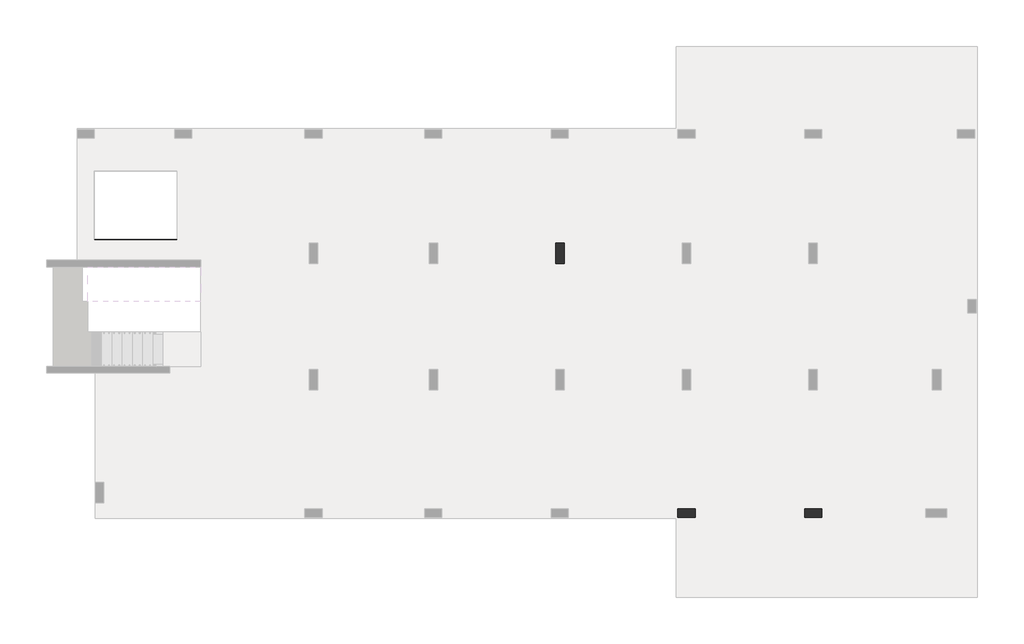
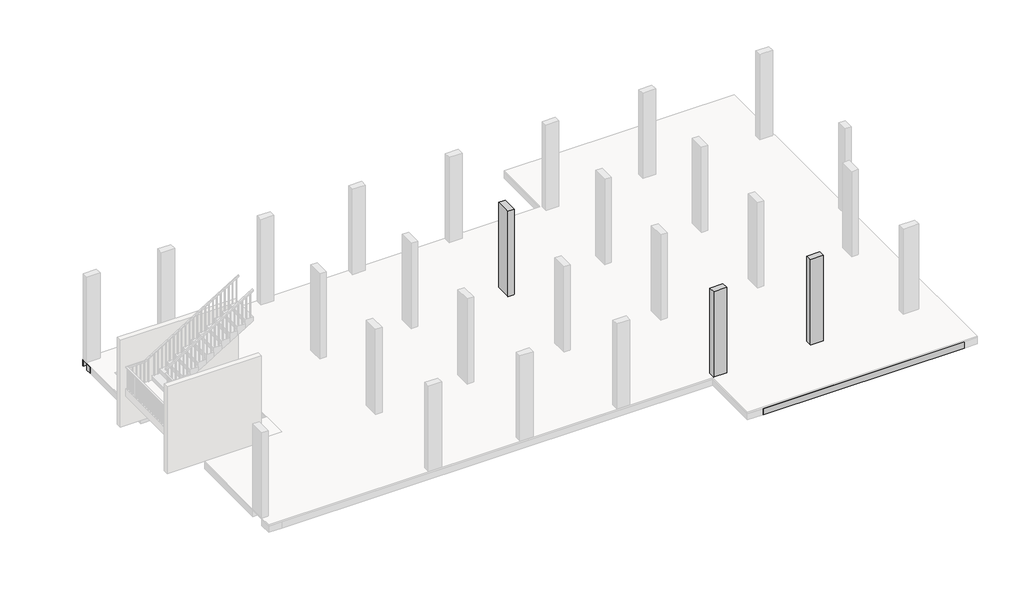
# One storey, part 3 of 5: 26 beams, 3 columns.
"""IFC4 building model written with IfcOpenShell, lengths in millimetres."""

from ifc_helpers import new_model, si_unit, frame, origin, place, context, project, spatial, polyline, outline, extrude, faceted_brep, element, save

model = new_model("IFC4")

# Units and contexts
model_context = context("Model", 3, world=origin())
ifc_project = project(units=[si_unit("LENGTHUNIT", "METRE", prefix="MILLI")], contexts=[model_context])

# Site, building, storey
site = spatial("IfcSite", under=ifc_project)
building = spatial("IfcBuilding", under=site)
storey = spatial("IfcBuildingStorey", under=building, Elevation=7000.0)

# Beams
placement = place(None, origin())
element("IfcBeam", 1, ObjectType="B 150 x 250 mm", at=placement, inside=storey, context=model_context, shape_type="SweptSolid", body=[
    extrude(outline(polyline([(21825.0195763, -7596.8939341), (21975.0195763, -7596.8939341), (21975.0195763, -10746.893934), (21825.0195763, -10746.893934), (21825.0195763, -7596.8939341)])), frame((0.0, 0.0, 6700.0), z_axis=(0.0, 0.0, 1.0), x_axis=(1.0, 0.0, 0.0)), (0.0, 0.0, 1.0), 250.0),
])
element("IfcBeam", 2, ObjectType="B 150 x 250 mm", at=placement, inside=storey, context=model_context, shape_type="SweptSolid", body=[
    extrude(outline(polyline([(21975.0195763, -13246.8939341), (21825.0195763, -13246.8939341), (21825.0195763, -11246.893934), (21975.0195763, -11246.893934), (21975.0195763, -13246.8939341)])), frame((0.0, 0.0, 6700.0), z_axis=(0.0, 0.0, 1.0), x_axis=(1.0, 0.0, 0.0)), (0.0, 0.0, 1.0), 250.0),
])
element("IfcBeam", 3, ObjectType="B 150 x 250 mm", at=placement, inside=storey, context=model_context, shape_type="SweptSolid", body=[
    extrude(outline(polyline([(22525.0195763, -13246.8939341), (22375.0195763, -13246.8939341), (22375.0195763, -11246.893934), (22525.0195763, -11246.893934), (22525.0195763, -13246.8939341)])), frame((0.0, 0.0, 6700.0), z_axis=(0.0, 0.0, 1.0), x_axis=(1.0, 0.0, 0.0)), (0.0, 0.0, 1.0), 250.0),
])
element("IfcBeam", 4, ObjectType="B 150 x 250 mm", at=placement, inside=storey, context=model_context, shape_type="SweptSolid", body=[
    extrude(outline(polyline([(23075.0195763, -13246.8939341), (22925.0195763, -13246.8939341), (22925.0195763, -11246.893934), (23075.0195763, -11246.893934), (23075.0195763, -13246.8939341)])), frame((0.0, 0.0, 6700.0), z_axis=(0.0, 0.0, 1.0), x_axis=(1.0, 0.0, 0.0)), (0.0, 0.0, 1.0), 250.0),
])
element("IfcBeam", 5, ObjectType="B 150 x 250 mm", at=placement, inside=storey, context=model_context, shape_type="SweptSolid", body=[
    extrude(outline(polyline([(23625.0195763, -13246.8939341), (23475.0195763, -13246.8939341), (23475.0195763, -11246.893934), (23625.0195763, -11246.893934), (23625.0195763, -13246.8939341)])), frame((0.0, 0.0, 6700.0), z_axis=(0.0, 0.0, 1.0), x_axis=(1.0, 0.0, 0.0)), (0.0, 0.0, 1.0), 250.0),
])
element("IfcBeam", 6, ObjectType="B 150 x 250 mm", at=placement, inside=storey, context=model_context, shape_type="SweptSolid", body=[
    extrude(outline(polyline([(18375.0390798, -13246.8939341), (18225.0390798, -13246.8939341), (18225.0390798, -11246.893934), (18375.0390798, -11246.893934), (18375.0390798, -13246.8939341)])), frame((0.0, 0.0, 6700.0), z_axis=(0.0, 0.0, 1.0), x_axis=(1.0, 0.0, 0.0)), (0.0, 0.0, 1.0), 250.0),
])
element("IfcBeam", 7, ObjectType="B 150 x 250 mm", at=placement, inside=storey, context=model_context, shape_type="SweptSolid", body=[
    extrude(outline(polyline([(18925.0390798, -13246.8939341), (18775.0390798, -13246.8939341), (18775.0390798, -11246.893934), (18925.0390798, -11246.893934), (18925.0390798, -13246.8939341)])), frame((0.0, 0.0, 6700.0), z_axis=(0.0, 0.0, 1.0), x_axis=(1.0, 0.0, 0.0)), (0.0, 0.0, 1.0), 250.0),
])
element("IfcBeam", 8, ObjectType="B 150 x 250 mm", at=placement, inside=storey, context=model_context, shape_type="SweptSolid", body=[
    extrude(outline(polyline([(19475.0390798, -13246.8939341), (19325.0390798, -13246.8939341), (19325.0390798, -11246.893934), (19475.0390798, -11246.893934), (19475.0390798, -13246.8939341)])), frame((0.0, 0.0, 6700.0), z_axis=(0.0, 0.0, 1.0), x_axis=(1.0, 0.0, 0.0)), (0.0, 0.0, 1.0), 250.0),
])
element("IfcBeam", 9, ObjectType="B 150 x 250 mm", at=placement, inside=storey, context=model_context, shape_type="SweptSolid", body=[
    extrude(outline(polyline([(20025.0390798, -13246.8939341), (19875.0390798, -13246.8939341), (19875.0390798, -11246.893934), (20025.0390798, -11246.893934), (20025.0390798, -13246.8939341)])), frame((0.0, 0.0, 6700.0), z_axis=(0.0, 0.0, 1.0), x_axis=(1.0, 0.0, 0.0)), (0.0, 0.0, 1.0), 250.0),
])
element("IfcBeam", 10, ObjectType="B 150 x 250 mm", at=placement, inside=storey, context=model_context, shape_type="SweptSolid", body=[
    extrude(outline(polyline([(20575.0390798, -13246.8939341), (20425.0390798, -13246.8939341), (20425.0390798, -11246.893934), (20575.0390798, -11246.893934), (20575.0390798, -13246.8939341)])), frame((0.0, 0.0, 6700.0), z_axis=(0.0, 0.0, 1.0), x_axis=(1.0, 0.0, 0.0)), (0.0, 0.0, 1.0), 250.0),
])
element("IfcBeam", 11, ObjectType="B 150 x 250 mm", at=placement, inside=storey, context=model_context, shape_type="SweptSolid", body=[
    extrude(outline(polyline([(18225.0390798, -7596.8939341), (18375.0390798, -7596.8939341), (18375.0390798, -10746.893934), (18225.0390798, -10746.893934), (18225.0390798, -7596.8939341)])), frame((0.0, 0.0, 6700.0), z_axis=(0.0, 0.0, 1.0), x_axis=(1.0, 0.0, 0.0)), (0.0, 0.0, 1.0), 250.0),
])
element("IfcBeam", 12, ObjectType="B 150 x 250 mm", at=placement, inside=storey, context=model_context, shape_type="SweptSolid", body=[
    extrude(outline(polyline([(18775.0390798, -7596.8939341), (18925.0390798, -7596.8939341), (18925.0390798, -10746.893934), (18775.0390798, -10746.893934), (18775.0390798, -7596.8939341)])), frame((0.0, 0.0, 6700.0), z_axis=(0.0, 0.0, 1.0), x_axis=(1.0, 0.0, 0.0)), (0.0, 0.0, 1.0), 250.0),
])
element("IfcBeam", 13, ObjectType="B 150 x 250 mm", at=placement, inside=storey, context=model_context, shape_type="SweptSolid", body=[
    extrude(outline(polyline([(19325.0390798, -7596.8939341), (19475.0390798, -7596.8939341), (19475.0390798, -10746.893934), (19325.0390798, -10746.893934), (19325.0390798, -7596.8939341)])), frame((0.0, 0.0, 6700.0), z_axis=(0.0, 0.0, 1.0), x_axis=(1.0, 0.0, 0.0)), (0.0, 0.0, 1.0), 250.0),
])
element("IfcBeam", 14, ObjectType="B 150 x 250 mm", at=placement, inside=storey, context=model_context, shape_type="SweptSolid", body=[
    extrude(outline(polyline([(19875.0390798, -7596.8939341), (20025.0390798, -7596.8939341), (20025.0390798, -10746.893934), (19875.0390798, -10746.893934), (19875.0390798, -7596.8939341)])), frame((0.0, 0.0, 6700.0), z_axis=(0.0, 0.0, 1.0), x_axis=(1.0, 0.0, 0.0)), (0.0, 0.0, 1.0), 250.0),
])
element("IfcBeam", 15, ObjectType="B 150 x 250 mm", at=placement, inside=storey, context=model_context, shape_type="SweptSolid", body=[
    extrude(outline(polyline([(20425.0390798, -7596.8939341), (20575.0390798, -7596.8939341), (20575.0390798, -10746.893934), (20425.0390798, -10746.893934), (20425.0390798, -7596.8939341)])), frame((0.0, 0.0, 6700.0), z_axis=(0.0, 0.0, 1.0), x_axis=(1.0, 0.0, 0.0)), (0.0, 0.0, 1.0), 250.0),
])
element("IfcBeam", 16, ObjectType="B 150 x 250 mm", at=placement, inside=storey, context=model_context, shape_type="SweptSolid", body=[
    extrude(outline(polyline([(14525.0390798, -346.893934), (14675.0390798, -346.893934), (14675.0390798, -3096.893934), (14525.0390798, -3096.893934), (14525.0390798, -346.893934)])), frame((0.0, 0.0, 6700.0), z_axis=(0.0, 0.0, 1.0), x_axis=(1.0, 0.0, 0.0)), (0.0, 0.0, 1.0), 250.0),
])
element("IfcBeam", 17, ObjectType="B 150 x 250 mm", at=placement, inside=storey, context=model_context, shape_type="SweptSolid", body=[
    extrude(outline(polyline([(15075.0390798, -346.893934), (15225.0390798, -346.893934), (15225.0390798, -3096.893934), (15075.0390798, -3096.893934), (15075.0390798, -346.893934)])), frame((0.0, 0.0, 6700.0), z_axis=(0.0, 0.0, 1.0), x_axis=(1.0, 0.0, 0.0)), (0.0, 0.0, 1.0), 250.0),
])
element("IfcBeam", 18, ObjectType="B 150 x 250 mm", at=placement, inside=storey, context=model_context, shape_type="SweptSolid", body=[
    extrude(outline(polyline([(15625.0390798, -346.893934), (15775.0390798, -346.893934), (15775.0390798, -3096.893934), (15625.0390798, -3096.893934), (15625.0390798, -346.893934)])), frame((0.0, 0.0, 6700.0), z_axis=(0.0, 0.0, 1.0), x_axis=(1.0, 0.0, 0.0)), (0.0, 0.0, 1.0), 250.0),
])
element("IfcBeam", 19, ObjectType="B 150 x 250 mm", at=placement, inside=storey, context=model_context, shape_type="SweptSolid", body=[
    extrude(outline(polyline([(16175.0390798, -7596.8939341), (16325.0390798, -7596.8939341), (16325.0390798, -10746.893934), (16175.0390798, -10746.893934), (16175.0390798, -7596.8939341)])), frame((0.0, 0.0, 6700.0), z_axis=(0.0, 0.0, 1.0), x_axis=(1.0, 0.0, 0.0)), (0.0, 0.0, 1.0), 250.0),
])
element("IfcBeam", 20, ObjectType="B 150 x 250 mm", at=placement, inside=storey, context=model_context, shape_type="SweptSolid", body=[
    extrude(outline(polyline([(16725.0390798, -7596.8939341), (16875.0390798, -7596.8939341), (16875.0390798, -10746.893934), (16725.0390798, -10746.893934), (16725.0390798, -7596.8939341)])), frame((0.0, 0.0, 6700.0), z_axis=(0.0, 0.0, 1.0), x_axis=(1.0, 0.0, 0.0)), (0.0, 0.0, 1.0), 250.0),
])
element("IfcBeam", 21, ObjectType="B 150 x 250 mm", at=placement, inside=storey, context=model_context, shape_type="SweptSolid", body=[
    extrude(outline(polyline([(11925.0390798, -346.893934), (12075.0390798, -346.893934), (12075.0390798, -3096.893934), (11925.0390798, -3096.893934), (11925.0390798, -346.893934)])), frame((0.0, 0.0, 6700.0), z_axis=(0.0, 0.0, 1.0), x_axis=(1.0, 0.0, 0.0)), (0.0, 0.0, 1.0), 250.0),
])
element("IfcBeam", 22, ObjectType="B 150 x 250 mm", at=placement, inside=storey, context=model_context, shape_type="SweptSolid", body=[
    extrude(outline(polyline([(12475.0390798, -346.893934), (12625.0390798, -346.893934), (12625.0390798, -3096.893934), (12475.0390798, -3096.893934), (12475.0390798, -346.893934)])), frame((0.0, 0.0, 6700.0), z_axis=(0.0, 0.0, 1.0), x_axis=(1.0, 0.0, 0.0)), (0.0, 0.0, 1.0), 250.0),
])
element("IfcBeam", 23, ObjectType="B 150 x 250 mm", at=placement, inside=storey, context=model_context, shape_type="SweptSolid", body=[
    extrude(outline(polyline([(13025.0390798, -346.893934), (13175.0390798, -346.893934), (13175.0390798, -3096.893934), (13025.0390798, -3096.893934), (13025.0390798, -346.893934)])), frame((0.0, 0.0, 6700.0), z_axis=(0.0, 0.0, 1.0), x_axis=(1.0, 0.0, 0.0)), (0.0, 0.0, 1.0), 250.0),
])
element("IfcBeam", 24, ObjectType="B4 800 x 250 mm", at=placement, inside=storey, context=model_context, shape_type="Brep", body=[
    faceted_brep([(250.0, -3096.893934, 6950.0), (250.0, -3096.893934, 6700.0), (250.0, -3696.893934, 6700.0), (250.0, -3696.893934, 6950.0), (25550.0000727, -3896.893934, 6950.0), (25550.0000727, -3896.893934, 6700.0), (25550.0000727, -3096.893934, 6700.0), (25550.0000727, -3096.893934, 6950.0), (25275.0195763, -3096.893934, 6950.0), (25125.0195763, -3096.893934, 6950.0), (24725.0195763, -3096.893934, 6950.0), (24575.0195763, -3096.893934, 6950.0), (24175.0195763, -3096.893934, 6950.0), (24025.0195763, -3096.893934, 6950.0), (23625.0195763, -3096.893934, 6950.0), (23475.0195763, -3096.893934, 6950.0), (23075.0195763, -3096.893934, 6950.0), (22925.0195763, -3096.893934, 6950.0), (22525.0195763, -3096.893934, 6950.0), (22375.0195763, -3096.893934, 6950.0), (21975.0195763, -3096.893934, 6950.0), (21825.0195763, -3096.893934, 6950.0), (21550.0390798, -3096.893934, 6950.0), (20950.0390798, -3096.893934, 6950.0), (20575.0390798, -3096.893934, 6950.0), (20425.0390798, -3096.893934, 6950.0), (20025.0390798, -3096.893934, 6950.0), (19875.0390798, -3096.893934, 6950.0), (19475.0390798, -3096.893934, 6950.0), (19325.0390798, -3096.893934, 6950.0), (18925.0390798, -3096.893934, 6950.0), (18775.0390798, -3096.893934, 6950.0), (18375.0390798, -3096.893934, 6950.0), (18225.0390798, -3096.893934, 6950.0), (17850.0390798, -3096.893934, 6950.0), (17250.0390798, -3096.893934, 6950.0), (16875.0390798, -3096.893934, 6950.0), (16725.0390798, -3096.893934, 6950.0), (16325.0390798, -3096.893934, 6950.0), (16175.0390798, -3096.893934, 6950.0), (15775.0390798, -3096.893934, 6950.0), (15625.0390798, -3096.893934, 6950.0), (15225.0390798, -3096.893934, 6950.0), (15075.0390798, -3096.893934, 6950.0), (14675.0390798, -3096.893934, 6950.0), (14525.0390798, -3096.893934, 6950.0), (14150.0390798, -3096.893934, 6950.0), (13550.0390798, -3096.893934, 6950.0), (13175.0390798, -3096.893934, 6950.0), (13025.0390798, -3096.893934, 6950.0), (12625.0390798, -3096.893934, 6950.0), (12475.0390798, -3096.893934, 6950.0), (12075.0390798, -3096.893934, 6950.0), (11925.0390798, -3096.893934, 6950.0), (11525.0390798, -3096.893934, 6950.0), (11375.0390798, -3096.893934, 6950.0), (10975.0390798, -3096.893934, 6950.0), (10825.0390798, -3096.893934, 6950.0), (10450.0390798, -3096.893934, 6950.0), (9850.0390798, -3096.893934, 6950.0), (9575.0390798, -3096.893934, 6950.0), (9425.0390798, -3096.893934, 6950.0), (9025.0390798, -3096.893934, 6950.0), (8875.0390798, -3096.893934, 6950.0), (8475.0390798, -3096.893934, 6950.0), (8325.0390798, -3096.893934, 6950.0), (7925.0390798, -3096.893934, 6950.0), (7775.0390798, -3096.893934, 6950.0), (7375.0390798, -3096.893934, 6950.0), (7225.0390798, -3096.893934, 6950.0), (6950.0390798, -3096.893934, 6950.0), (6350.0390798, -3096.893934, 6950.0), (6125.0195399, -3096.893934, 6950.0), (5975.0195399, -3096.893934, 6950.0), (5575.0195399, -3096.893934, 6950.0), (5425.0195399, -3096.893934, 6950.0), (5025.0195399, -3096.893934, 6950.0), (4875.0195399, -3096.893934, 6950.0), (4475.0195399, -3096.893934, 6950.0), (4325.0195399, -3096.893934, 6950.0), (3925.0195399, -3096.893934, 6950.0), (3775.0195399, -3096.893934, 6950.0), (3375.0195399, -3096.893934, 6950.0), (3225.0195399, -3096.893934, 6950.0), (2814.8770182, -3096.893934, 6950.0), (2664.8770182, -3096.893934, 6950.0), (2650.0, -3096.893934, 6950.0), (3350.0, -3696.893934, 6950.0), (3350.0, -3896.893934, 6950.0), (3850.0, -3896.893934, 6950.0), (3925.0195399, -3896.893934, 6950.0), (4075.0195399, -3896.893934, 6950.0), (4475.0195399, -3896.893934, 6950.0), (4625.0195399, -3896.893934, 6950.0), (5025.0195399, -3896.893934, 6950.0), (5175.0195399, -3896.893934, 6950.0), (5575.0195399, -3896.893934, 6950.0), (5725.0195399, -3896.893934, 6950.0), (6125.0195399, -3896.893934, 6950.0), (6275.0195399, -3896.893934, 6950.0), (6350.0390798, -3896.893934, 6950.0), (6950.0390798, -3896.893934, 6950.0), (7225.0390798, -3896.893934, 6950.0), (7375.0390798, -3896.893934, 6950.0), (7775.0390798, -3896.893934, 6950.0), (7925.0390798, -3896.893934, 6950.0), (8325.0390798, -3896.893934, 6950.0), (8475.0390798, -3896.893934, 6950.0), (8875.0390798, -3896.893934, 6950.0), (9025.0390798, -3896.893934, 6950.0), (9425.0390798, -3896.893934, 6950.0), (9575.0390798, -3896.893934, 6950.0), (9850.0390798, -3896.893934, 6950.0), (10450.0390798, -3896.893934, 6950.0), (10825.0390798, -3896.893934, 6950.0), (10975.0390798, -3896.893934, 6950.0), (11375.0390798, -3896.893934, 6950.0), (11525.0390798, -3896.893934, 6950.0), (11925.0390798, -3896.893934, 6950.0), (12075.0390798, -3896.893934, 6950.0), (12475.0390798, -3896.893934, 6950.0), (12625.0390798, -3896.893934, 6950.0), (13025.0390798, -3896.893934, 6950.0), (13175.0390798, -3896.893934, 6950.0), (13550.0390798, -3896.893934, 6950.0), (14150.0390798, -3896.893934, 6950.0), (14525.0390798, -3896.893934, 6950.0), (14675.0390798, -3896.893934, 6950.0), (15075.0390798, -3896.893934, 6950.0), (15225.0390798, -3896.893934, 6950.0), (15625.0390798, -3896.893934, 6950.0), (15775.0390798, -3896.893934, 6950.0), (16175.0390798, -3896.893934, 6950.0), (16325.0390798, -3896.893934, 6950.0), (16725.0390798, -3896.893934, 6950.0), (16875.0390798, -3896.893934, 6950.0), (17250.0390798, -3896.893934, 6950.0), (17850.0390798, -3896.893934, 6950.0), (18225.0390798, -3896.893934, 6950.0), (18375.0390798, -3896.893934, 6950.0), (18775.0390798, -3896.893934, 6950.0), (18925.0390798, -3896.893934, 6950.0), (19325.0390798, -3896.893934, 6950.0), (19475.0390798, -3896.893934, 6950.0), (19875.0390798, -3896.893934, 6950.0), (20025.0390798, -3896.893934, 6950.0), (20425.0390798, -3896.893934, 6950.0), (20575.0390798, -3896.893934, 6950.0), (20950.0390798, -3896.893934, 6950.0), (21550.0390798, -3896.893934, 6950.0), (21825.0195763, -3896.893934, 6950.0), (21975.0195763, -3896.893934, 6950.0), (22375.0195763, -3896.893934, 6950.0), (22525.0195763, -3896.893934, 6950.0), (22925.0195763, -3896.893934, 6950.0), (23075.0195763, -3896.893934, 6950.0), (23475.0195763, -3896.893934, 6950.0), (23625.0195763, -3896.893934, 6950.0), (24025.0195763, -3896.893934, 6950.0), (24175.0195763, -3896.893934, 6950.0), (24575.0195763, -3896.893934, 6950.0), (24725.0195763, -3896.893934, 6950.0), (25125.0195763, -3896.893934, 6950.0), (25275.0195763, -3896.893934, 6950.0), (21125.0390798, -3195.451857, 6950.0), (21375.0390798, -3195.451857, 6950.0), (21375.0390798, -3795.451857, 6950.0), (21125.0390798, -3795.451857, 6950.0), (17425.0390798, -3195.451857, 6950.0), (17675.0390798, -3195.451857, 6950.0), (17675.0390798, -3795.451857, 6950.0), (17425.0390798, -3795.451857, 6950.0), (13725.0390798, -3195.451857, 6950.0), (13975.0390798, -3195.451857, 6950.0), (13975.0390798, -3795.451857, 6950.0), (13725.0390798, -3795.451857, 6950.0), (10025.0390798, -3195.451857, 6950.0), (10275.0390798, -3195.451857, 6950.0), (10275.0390798, -3795.451857, 6950.0), (10025.0390798, -3795.451857, 6950.0), (6525.0390798, -3196.893934, 6950.0), (6775.0390798, -3196.893934, 6950.0), (6775.0390798, -3796.893934, 6950.0), (6525.0390798, -3796.893934, 6950.0), (25275.0195763, -3096.893934, 6700.0), (25125.0195763, -3096.893934, 6700.0), (24725.0195763, -3096.893934, 6700.0), (24575.0195763, -3096.893934, 6700.0), (24175.0195763, -3096.893934, 6700.0), (24025.0195763, -3096.893934, 6700.0), (23625.0195763, -3096.893934, 6700.0), (23475.0195763, -3096.893934, 6700.0), (23075.0195763, -3096.893934, 6700.0), (22925.0195763, -3096.893934, 6700.0), (22525.0195763, -3096.893934, 6700.0), (22375.0195763, -3096.893934, 6700.0), (21975.0195763, -3096.893934, 6700.0), (21825.0195763, -3096.893934, 6700.0), (21550.0390798, -3096.893934, 6700.0), (20950.0390798, -3096.893934, 6700.0), (20575.0390798, -3096.893934, 6700.0), (20425.0390798, -3096.893934, 6700.0), (20025.0390798, -3096.893934, 6700.0), (19875.0390798, -3096.893934, 6700.0), (19475.0390798, -3096.893934, 6700.0), (19325.0390798, -3096.893934, 6700.0), (18925.0390798, -3096.893934, 6700.0), (18775.0390798, -3096.893934, 6700.0), (18375.0390798, -3096.893934, 6700.0), (18225.0390798, -3096.893934, 6700.0), (17850.0390798, -3096.893934, 6700.0), (17250.0390798, -3096.893934, 6700.0), (16875.0390798, -3096.893934, 6700.0), (16725.0390798, -3096.893934, 6700.0), (16325.0390798, -3096.893934, 6700.0), (16175.0390798, -3096.893934, 6700.0), (15775.0390798, -3096.893934, 6700.0), (15625.0390798, -3096.893934, 6700.0), (15225.0390798, -3096.893934, 6700.0), (15075.0390798, -3096.893934, 6700.0), (14675.0390798, -3096.893934, 6700.0), (14525.0390798, -3096.893934, 6700.0), (14150.0390798, -3096.893934, 6700.0), (13550.0390798, -3096.893934, 6700.0), (13175.0390798, -3096.893934, 6700.0), (13025.0390798, -3096.893934, 6700.0), (12625.0390798, -3096.893934, 6700.0), (12475.0390798, -3096.893934, 6700.0), (12075.0390798, -3096.893934, 6700.0), (11925.0390798, -3096.893934, 6700.0), (11525.0390798, -3096.893934, 6700.0), (11375.0390798, -3096.893934, 6700.0), (10975.0390798, -3096.893934, 6700.0), (10825.0390798, -3096.893934, 6700.0), (10450.0390798, -3096.893934, 6700.0), (9850.0390798, -3096.893934, 6700.0), (9575.0390798, -3096.893934, 6700.0), (9425.0390798, -3096.893934, 6700.0), (9025.0390798, -3096.893934, 6700.0), (8875.0390798, -3096.893934, 6700.0), (8475.0390798, -3096.893934, 6700.0), (8325.0390798, -3096.893934, 6700.0), (7925.0390798, -3096.893934, 6700.0), (7775.0390798, -3096.893934, 6700.0), (7375.0390798, -3096.893934, 6700.0), (7225.0390798, -3096.893934, 6700.0), (6950.0390798, -3096.893934, 6700.0), (6350.0390798, -3096.893934, 6700.0), (6125.0195399, -3096.893934, 6700.0), (5975.0195399, -3096.893934, 6700.0), (5575.0195399, -3096.893934, 6700.0), (5425.0195399, -3096.893934, 6700.0), (5025.0195399, -3096.893934, 6700.0), (4875.0195399, -3096.893934, 6700.0), (4475.0195399, -3096.893934, 6700.0), (4325.0195399, -3096.893934, 6700.0), (3925.0195399, -3096.893934, 6700.0), (3775.0195399, -3096.893934, 6700.0), (3375.0195399, -3096.893934, 6700.0), (3225.0195399, -3096.893934, 6700.0), (2814.8770182, -3096.893934, 6700.0), (2664.8770182, -3096.893934, 6700.0), (25275.0195763, -3896.893934, 6700.0), (25125.0195763, -3896.893934, 6700.0), (24725.0195763, -3896.893934, 6700.0), (24575.0195763, -3896.893934, 6700.0), (24175.0195763, -3896.893934, 6700.0), (24025.0195763, -3896.893934, 6700.0), (23625.0195763, -3896.893934, 6700.0), (23475.0195763, -3896.893934, 6700.0), (23075.0195763, -3896.893934, 6700.0), (22925.0195763, -3896.893934, 6700.0), (22525.0195763, -3896.893934, 6700.0), (22375.0195763, -3896.893934, 6700.0), (21975.0195763, -3896.893934, 6700.0), (21825.0195763, -3896.893934, 6700.0), (21550.0390798, -3896.893934, 6700.0), (20950.0390798, -3896.893934, 6700.0), (20575.0390798, -3896.893934, 6700.0), (20425.0390798, -3896.893934, 6700.0), (20025.0390798, -3896.893934, 6700.0), (19875.0390798, -3896.893934, 6700.0), (19475.0390798, -3896.893934, 6700.0), (19325.0390798, -3896.893934, 6700.0), (18925.0390798, -3896.893934, 6700.0), (18775.0390798, -3896.893934, 6700.0), (18375.0390798, -3896.893934, 6700.0), (18225.0390798, -3896.893934, 6700.0), (17850.0390798, -3896.893934, 6700.0), (17250.0390798, -3896.893934, 6700.0), (16875.0390798, -3896.893934, 6700.0), (16725.0390798, -3896.893934, 6700.0), (16325.0390798, -3896.893934, 6700.0), (16175.0390798, -3896.893934, 6700.0), (15775.0390798, -3896.893934, 6700.0), (15625.0390798, -3896.893934, 6700.0), (15225.0390798, -3896.893934, 6700.0), (15075.0390798, -3896.893934, 6700.0), (14675.0390798, -3896.893934, 6700.0), (14525.0390798, -3896.893934, 6700.0), (14150.0390798, -3896.893934, 6700.0), (13550.0390798, -3896.893934, 6700.0), (13175.0390798, -3896.893934, 6700.0), (13025.0390798, -3896.893934, 6700.0), (12625.0390798, -3896.893934, 6700.0), (12475.0390798, -3896.893934, 6700.0), (12075.0390798, -3896.893934, 6700.0), (11925.0390798, -3896.893934, 6700.0), (11525.0390798, -3896.893934, 6700.0), (11375.0390798, -3896.893934, 6700.0), (10975.0390798, -3896.893934, 6700.0), (10825.0390798, -3896.893934, 6700.0), (10450.0390798, -3896.893934, 6700.0), (9850.0390798, -3896.893934, 6700.0), (9575.0390798, -3896.893934, 6700.0), (9425.0390798, -3896.893934, 6700.0), (9025.0390798, -3896.893934, 6700.0), (8875.0390798, -3896.893934, 6700.0), (8475.0390798, -3896.893934, 6700.0), (8325.0390798, -3896.893934, 6700.0), (7925.0390798, -3896.893934, 6700.0), (7775.0390798, -3896.893934, 6700.0), (7375.0390798, -3896.893934, 6700.0), (7225.0390798, -3896.893934, 6700.0), (6950.0390798, -3896.893934, 6700.0), (6350.0390798, -3896.893934, 6700.0), (6275.0195399, -3896.893934, 6700.0), (6125.0195399, -3896.893934, 6700.0), (5725.0195399, -3896.893934, 6700.0), (5575.0195399, -3896.893934, 6700.0), (5175.0195399, -3896.893934, 6700.0), (5025.0195399, -3896.893934, 6700.0), (4625.0195399, -3896.893934, 6700.0), (4475.0195399, -3896.893934, 6700.0), (4075.0195399, -3896.893934, 6700.0), (3925.0195399, -3896.893934, 6700.0), (3850.0, -3896.893934, 6700.0), (3350.0, -3896.893934, 6700.0), (3350.0, -3696.893934, 6700.0), (21375.0390798, -3195.451857, 6700.0), (21125.0390798, -3195.451857, 6700.0), (21125.0390798, -3445.451857, 6700.0), (21125.0390798, -3545.451857, 6700.0), (21125.0390798, -3795.451857, 6700.0), (21375.0390798, -3795.451857, 6700.0), (17675.0390798, -3195.451857, 6700.0), (17425.0390798, -3195.451857, 6700.0), (17425.0390798, -3445.451857, 6700.0), (17425.0390798, -3545.451857, 6700.0), (17425.0390798, -3795.451857, 6700.0), (17675.0390798, -3795.451857, 6700.0), (17675.0390798, -3545.451857, 6700.0), (17675.0390798, -3445.451857, 6700.0), (13975.0390798, -3195.451857, 6700.0), (13725.0390798, -3195.451857, 6700.0), (13725.0390798, -3445.451857, 6700.0), (13725.0390798, -3545.451857, 6700.0), (13725.0390798, -3795.451857, 6700.0), (13975.0390798, -3795.451857, 6700.0), (13975.0390798, -3545.451857, 6700.0), (13975.0390798, -3445.451857, 6700.0), (10275.0390798, -3195.451857, 6700.0), (10025.0390798, -3195.451857, 6700.0), (10025.0390798, -3446.893934, 6700.0), (10025.0390798, -3546.893934, 6700.0), (10025.0390798, -3795.451857, 6700.0), (10275.0390798, -3795.451857, 6700.0), (10275.0390798, -3545.451857, 6700.0), (10275.0390798, -3445.451857, 6700.0), (6775.0390798, -3196.893934, 6700.0), (6525.0390798, -3196.893934, 6700.0), (6525.0390798, -3796.893934, 6700.0), (6775.0390798, -3796.893934, 6700.0), (6775.0390798, -3546.893934, 6700.0), (6775.0390798, -3446.893934, 6700.0)], [[[0, 1, 2, 3]], [[4, 5, 6, 7]], [[4, 7, 8, 9, 10, 11, 12, 13, 14, 15, 16, 17, 18, 19, 20, 21, 22, 23, 24, 25, 26, 27, 28, 29, 30, 31, 32, 33, 34, 35, 36, 37, 38, 39, 40, 41, 42, 43, 44, 45, 46, 47, 48, 49, 50, 51, 52, 53, 54, 55, 56, 57, 58, 59, 60, 61, 62, 63, 64, 65, 66, 67, 68, 69, 70, 71, 72, 73, 74, 75, 76, 77, 78, 79, 80, 81, 82, 83, 84, 85, 86, 0, 3, 87, 88, 89, 90, 91, 92, 93, 94, 95, 96, 97, 98, 99, 100, 101, 102, 103, 104, 105, 106, 107, 108, 109, 110, 111, 112, 113, 114, 115, 116, 117, 118, 119, 120, 121, 122, 123, 124, 125, 126, 127, 128, 129, 130, 131, 132, 133, 134, 135, 136, 137, 138, 139, 140, 141, 142, 143, 144, 145, 146, 147, 148, 149, 150, 151, 152, 153, 154, 155, 156, 157, 158, 159, 160, 161, 162, 163], [164, 165, 166, 167], [168, 169, 170, 171], [172, 173, 174, 175], [176, 177, 178, 179], [180, 181, 182, 183]], [[1, 0, 86, 85, 84, 83, 82, 81, 80, 79, 78, 77, 76, 75, 74, 73, 72, 71, 70, 69, 68, 67, 66, 65, 64, 63, 62, 61, 60, 59, 58, 57, 56, 55, 54, 53, 52, 51, 50, 49, 48, 47, 46, 45, 44, 43, 42, 41, 40, 39, 38, 37, 36, 35, 34, 33, 32, 31, 30, 29, 28, 27, 26, 25, 24, 23, 22, 21, 20, 19, 18, 17, 16, 15, 14, 13, 12, 11, 10, 9, 8, 7, 6, 184, 185, 186, 187, 188, 189, 190, 191, 192, 193, 194, 195, 196, 197, 198, 199, 200, 201, 202, 203, 204, 205, 206, 207, 208, 209, 210, 211, 212, 213, 214, 215, 216, 217, 218, 219, 220, 221, 222, 223, 224, 225, 226, 227, 228, 229, 230, 231, 232, 233, 234, 235, 236, 237, 238, 239, 240, 241, 242, 243, 244, 245, 246, 247, 248, 249, 250, 251, 252, 253, 254, 255, 256, 257, 258, 259, 260, 261]], [[6, 5, 262, 263, 264, 265, 266, 267, 268, 269, 270, 271, 272, 273, 274, 275, 276, 277, 278, 279, 280, 281, 282, 283, 284, 285, 286, 287, 288, 289, 290, 291, 292, 293, 294, 295, 296, 297, 298, 299, 300, 301, 302, 303, 304, 305, 306, 307, 308, 309, 310, 311, 312, 313, 314, 315, 316, 317, 318, 319, 320, 321, 322, 323, 324, 325, 326, 327, 328, 329, 330, 331, 332, 333, 334, 335, 336, 337, 338, 2, 1, 261, 260, 259, 258, 257, 256, 255, 254, 253, 252, 251, 250, 249, 248, 247, 246, 245, 244, 243, 242, 241, 240, 239, 238, 237, 236, 235, 234, 233, 232, 231, 230, 229, 228, 227, 226, 225, 224, 223, 222, 221, 220, 219, 218, 217, 216, 215, 214, 213, 212, 211, 210, 209, 208, 207, 206, 205, 204, 203, 202, 201, 200, 199, 198, 197, 196, 195, 194, 193, 192, 191, 190, 189, 188, 187, 186, 185, 184], [339, 340, 341, 342, 343, 344], [345, 346, 347, 348, 349, 350, 351, 352], [353, 354, 355, 356, 357, 358, 359, 360], [361, 362, 363, 364, 365, 366, 367, 368], [369, 370, 371, 372, 373, 374]], [[5, 4, 163, 162, 161, 160, 159, 158, 157, 156, 155, 154, 153, 152, 151, 150, 149, 148, 147, 146, 145, 144, 143, 142, 141, 140, 139, 138, 137, 136, 135, 134, 133, 132, 131, 130, 129, 128, 127, 126, 125, 124, 123, 122, 121, 120, 119, 118, 117, 116, 115, 114, 113, 112, 111, 110, 109, 108, 107, 106, 105, 104, 103, 102, 101, 100, 99, 98, 97, 96, 95, 94, 93, 92, 91, 90, 89, 88, 337, 336, 335, 334, 333, 332, 331, 330, 329, 328, 327, 326, 325, 324, 323, 322, 321, 320, 319, 318, 317, 316, 315, 314, 313, 312, 311, 310, 309, 308, 307, 306, 305, 304, 303, 302, 301, 300, 299, 298, 297, 296, 295, 294, 293, 292, 291, 290, 289, 288, 287, 286, 285, 284, 283, 282, 281, 280, 279, 278, 277, 276, 275, 274, 273, 272, 271, 270, 269, 268, 267, 266, 265, 264, 263, 262]], [[339, 165, 164, 340]], [[166, 344, 343, 167]], [[165, 339, 344, 166]], [[167, 343, 342, 341, 340, 164]], [[345, 169, 168, 346]], [[170, 350, 349, 171]], [[169, 345, 352, 351, 350, 170]], [[171, 349, 348, 347, 346, 168]], [[353, 173, 172, 354]], [[174, 358, 357, 175]], [[173, 353, 360, 359, 358, 174]], [[175, 357, 356, 355, 354, 172]], [[361, 177, 176, 362]], [[178, 366, 365, 179]], [[177, 361, 368, 367, 366, 178]], [[179, 365, 364, 363, 362, 176]], [[369, 181, 180, 370]], [[182, 372, 371, 183]], [[181, 369, 374, 373, 372, 182]], [[183, 371, 370, 180]], [[338, 87, 3, 2]], [[87, 338, 337, 88]]]),
])
element("IfcBeam", 25, ObjectType="B5 500 x 250 mm", at=placement, inside=storey, context=model_context, shape_type="Brep", body=[
    faceted_brep([(250.0, -121.893934, 6950.0), (-250.0, -121.893934, 6950.0), (-250.0, -346.893934, 6950.0), (250.0, -346.893934, 6950.0), (2664.8770182, -346.893934, 6950.0), (2814.8770182, -346.893934, 6950.0), (3225.0195399, -346.893934, 6950.0), (3375.0195399, -346.893934, 6950.0), (3775.0195399, -346.893934, 6950.0), (3925.0195399, -346.893934, 6950.0), (4325.0195399, -346.893934, 6950.0), (4475.0195399, -346.893934, 6950.0), (4875.0195399, -346.893934, 6950.0), (5025.0195399, -346.893934, 6950.0), (5425.0195399, -346.893934, 6950.0), (5575.0195399, -346.893934, 6950.0), (5975.0195399, -346.893934, 6950.0), (6125.0195399, -346.893934, 6950.0), (6350.0390798, -346.893934, 6950.0), (6950.0390798, -346.893934, 6950.0), (7225.0390798, -346.893934, 6950.0), (7375.0390798, -346.893934, 6950.0), (7775.0390798, -346.893934, 6950.0), (7925.0390798, -346.893934, 6950.0), (8325.0390798, -346.893934, 6950.0), (8475.0390798, -346.893934, 6950.0), (8875.0390798, -346.893934, 6950.0), (9025.0390798, -346.893934, 6950.0), (9425.0390798, -346.893934, 6950.0), (9575.0390798, -346.893934, 6950.0), (9850.0390798, -346.893934, 6950.0), (10450.0390798, -346.893934, 6950.0), (10825.0390798, -346.893934, 6950.0), (10975.0390798, -346.893934, 6950.0), (11375.0390798, -346.893934, 6950.0), (11525.0390798, -346.893934, 6950.0), (11925.0390798, -346.893934, 6950.0), (12075.0390798, -346.893934, 6950.0), (12475.0390798, -346.893934, 6950.0), (12625.0390798, -346.893934, 6950.0), (13025.0390798, -346.893934, 6950.0), (13175.0390798, -346.893934, 6950.0), (13550.0390798, -346.893934, 6950.0), (14150.0390798, -346.893934, 6950.0), (14525.0390798, -346.893934, 6950.0), (14675.0390798, -346.893934, 6950.0), (15075.0390798, -346.893934, 6950.0), (15225.0390798, -346.893934, 6950.0), (15625.0390798, -346.893934, 6950.0), (15775.0390798, -346.893934, 6950.0), (16175.0390798, -346.893934, 6950.0), (16325.0390798, -346.893934, 6950.0), (16725.0390798, -346.893934, 6950.0), (16875.0390798, -346.893934, 6950.0), (17250.0390798, -346.893934, 6950.0), (17850.0390798, -346.893934, 6950.0), (18225.0390798, -346.893934, 6950.0), (18375.0390798, -346.893934, 6950.0), (18775.0390798, -346.893934, 6950.0), (18925.0390798, -346.893934, 6950.0), (19325.0390798, -346.893934, 6950.0), (19475.0390798, -346.893934, 6950.0), (19875.0390798, -346.893934, 6950.0), (20025.0390798, -346.893934, 6950.0), (20425.0390798, -346.893934, 6950.0), (20575.0390798, -346.893934, 6950.0), (20950.0390798, -346.893934, 6950.0), (21550.0390798, -346.893934, 6950.0), (21825.0195763, -346.893934, 6950.0), (21975.0195763, -346.893934, 6950.0), (22375.0195763, -346.893934, 6950.0), (22525.0195763, -346.893934, 6950.0), (22925.0195763, -346.893934, 6950.0), (23075.0195763, -346.893934, 6950.0), (23475.0195763, -346.893934, 6950.0), (23625.0195763, -346.893934, 6950.0), (24025.0195763, -346.893934, 6950.0), (24175.0195763, -346.893934, 6950.0), (24575.0195763, -346.893934, 6950.0), (24725.0195763, -346.893934, 6950.0), (25125.0195763, -346.893934, 6950.0), (25275.0195763, -346.893934, 6950.0), (25550.0000727, -346.893934, 6950.0), (25550.0000727, -125.0, 6950.0), (25466.5, -125.0, 6950.0), (25466.5, 125.0, 6950.0), (25550.0000727, 125.0, 6950.0), (25550.0000727, 153.106066, 6950.0), (25275.0195763, 153.106066, 6950.0), (25125.0195763, 153.106066, 6950.0), (24725.0195763, 153.106066, 6950.0), (24575.0195763, 153.106066, 6950.0), (24175.0195763, 153.106066, 6950.0), (24025.0195763, 153.106066, 6950.0), (23625.0195763, 153.106066, 6950.0), (23475.0195763, 153.106066, 6950.0), (23075.0195763, 153.106066, 6950.0), (22925.0195763, 153.106066, 6950.0), (22525.0195763, 153.106066, 6950.0), (22375.0195763, 153.106066, 6950.0), (21975.0195763, 153.106066, 6950.0), (21825.0195763, 153.106066, 6950.0), (21550.0390798, 153.106066, 6950.0), (20950.0390798, 153.106066, 6950.0), (20575.0390798, 153.106066, 6950.0), (20425.0390798, 153.106066, 6950.0), (20025.0390798, 153.106066, 6950.0), (19875.0390798, 153.106066, 6950.0), (19475.0390798, 153.106066, 6950.0), (19325.0390798, 153.106066, 6950.0), (18925.0390798, 153.106066, 6950.0), (18775.0390798, 153.106066, 6950.0), (18375.0390798, 153.106066, 6950.0), (18225.0390798, 153.106066, 6950.0), (17850.0390798, 153.106066, 6950.0), (17250.0390798, 153.106066, 6950.0), (-250.0, 153.106066, 6950.0), (-250.0, 128.106066, 6950.0), (250.0, 128.106066, 6950.0), (2600.0, -121.893934, 6950.0), (2600.0, 128.106066, 6950.0), (3100.0, 128.106066, 6950.0), (3100.0, -121.893934, 6950.0), (6400.0390798, -121.893934, 6950.0), (6400.0390798, 128.106066, 6950.0), (6900.0390798, 128.106066, 6950.0), (6900.0390798, -121.893934, 6950.0), (9900.0390798, -121.893934, 6950.0), (9900.0390798, 128.106066, 6950.0), (10400.0390798, 128.106066, 6950.0), (10400.0390798, -121.893934, 6950.0), (13600.0390798, -121.893934, 6950.0), (13600.0390798, 128.106066, 6950.0), (14100.0390798, 128.106066, 6950.0), (14100.0390798, -121.893934, 6950.0), (17300.0390798, -121.893934, 6950.0), (17300.0390798, 128.106066, 6950.0), (17800.0390798, 128.106066, 6950.0), (17800.0390798, -121.893934, 6950.0), (21000.0390798, -121.893934, 6950.0), (21000.0390798, 128.106066, 6950.0), (21500.0390798, 128.106066, 6950.0), (21500.0390798, -121.893934, 6950.0), (-250.0, -346.893934, 6700.0), (250.0, -346.893934, 6700.0), (2664.8770182, -346.893934, 6700.0), (2814.8770182, -346.893934, 6700.0), (3225.0195399, -346.893934, 6700.0), (3375.0195399, -346.893934, 6700.0), (3775.0195399, -346.893934, 6700.0), (3925.0195399, -346.893934, 6700.0), (4325.0195399, -346.893934, 6700.0), (4475.0195399, -346.893934, 6700.0), (4875.0195399, -346.893934, 6700.0), (5025.0195399, -346.893934, 6700.0), (5425.0195399, -346.893934, 6700.0), (5575.0195399, -346.893934, 6700.0), (5975.0195399, -346.893934, 6700.0), (6125.0195399, -346.893934, 6700.0), (6350.0390798, -346.893934, 6700.0), (6950.0390798, -346.893934, 6700.0), (7225.0390798, -346.893934, 6700.0), (7375.0390798, -346.893934, 6700.0), (7775.0390798, -346.893934, 6700.0), (7925.0390798, -346.893934, 6700.0), (8325.0390798, -346.893934, 6700.0), (8475.0390798, -346.893934, 6700.0), (8875.0390798, -346.893934, 6700.0), (9025.0390798, -346.893934, 6700.0), (9425.0390798, -346.893934, 6700.0), (9575.0390798, -346.893934, 6700.0), (9850.0390798, -346.893934, 6700.0), (10450.0390798, -346.893934, 6700.0), (10825.0390798, -346.893934, 6700.0), (10975.0390798, -346.893934, 6700.0), (11375.0390798, -346.893934, 6700.0), (11525.0390798, -346.893934, 6700.0), (11925.0390798, -346.893934, 6700.0), (12075.0390798, -346.893934, 6700.0), (12475.0390798, -346.893934, 6700.0), (12625.0390798, -346.893934, 6700.0), (13025.0390798, -346.893934, 6700.0), (13175.0390798, -346.893934, 6700.0), (13550.0390798, -346.893934, 6700.0), (14150.0390798, -346.893934, 6700.0), (14525.0390798, -346.893934, 6700.0), (14675.0390798, -346.893934, 6700.0), (15075.0390798, -346.893934, 6700.0), (15225.0390798, -346.893934, 6700.0), (15625.0390798, -346.893934, 6700.0), (15775.0390798, -346.893934, 6700.0), (16175.0390798, -346.893934, 6700.0), (16325.0390798, -346.893934, 6700.0), (16725.0390798, -346.893934, 6700.0), (16875.0390798, -346.893934, 6700.0), (17250.0390798, -346.893934, 6700.0), (17850.0390798, -346.893934, 6700.0), (18225.0390798, -346.893934, 6700.0), (18375.0390798, -346.893934, 6700.0), (18775.0390798, -346.893934, 6700.0), (18925.0390798, -346.893934, 6700.0), (19325.0390798, -346.893934, 6700.0), (19475.0390798, -346.893934, 6700.0), (19875.0390798, -346.893934, 6700.0), (20025.0390798, -346.893934, 6700.0), (20425.0390798, -346.893934, 6700.0), (20575.0390798, -346.893934, 6700.0), (20950.0390798, -346.893934, 6700.0), (21550.0390798, -346.893934, 6700.0), (21825.0195763, -346.893934, 6700.0), (21975.0195763, -346.893934, 6700.0), (22375.0195763, -346.893934, 6700.0), (22525.0195763, -346.893934, 6700.0), (22925.0195763, -346.893934, 6700.0), (23075.0195763, -346.893934, 6700.0), (23475.0195763, -346.893934, 6700.0), (23625.0195763, -346.893934, 6700.0), (24025.0195763, -346.893934, 6700.0), (24175.0195763, -346.893934, 6700.0), (24575.0195763, -346.893934, 6700.0), (24725.0195763, -346.893934, 6700.0), (25125.0195763, -346.893934, 6700.0), (25275.0195763, -346.893934, 6700.0), (25550.0000727, -346.893934, 6700.0), (-250.0, -121.893934, 6700.0), (250.0, -121.893934, 6700.0), (250.0, 128.106066, 6700.0), (-250.0, 128.106066, 6700.0), (-250.0, 153.106066, 6700.0), (17250.0390798, 153.106066, 6700.0), (17850.0390798, 153.106066, 6700.0), (18225.0390798, 153.106066, 6700.0), (18375.0390798, 153.106066, 6700.0), (18775.0390798, 153.106066, 6700.0), (18925.0390798, 153.106066, 6700.0), (19325.0390798, 153.106066, 6700.0), (19475.0390798, 153.106066, 6700.0), (19875.0390798, 153.106066, 6700.0), (20025.0390798, 153.106066, 6700.0), (20425.0390798, 153.106066, 6700.0), (20575.0390798, 153.106066, 6700.0), (20950.0390798, 153.106066, 6700.0), (21550.0390798, 153.106066, 6700.0), (21825.0195763, 153.106066, 6700.0), (21975.0195763, 153.106066, 6700.0), (22375.0195763, 153.106066, 6700.0), (22525.0195763, 153.106066, 6700.0), (22925.0195763, 153.106066, 6700.0), (23075.0195763, 153.106066, 6700.0), (23475.0195763, 153.106066, 6700.0), (23625.0195763, 153.106066, 6700.0), (24025.0195763, 153.106066, 6700.0), (24175.0195763, 153.106066, 6700.0), (24575.0195763, 153.106066, 6700.0), (24725.0195763, 153.106066, 6700.0), (25125.0195763, 153.106066, 6700.0), (25275.0195763, 153.106066, 6700.0), (25550.0000727, 153.106066, 6700.0), (25550.0000727, 125.0, 6700.0), (25466.5, 125.0, 6700.0), (25466.5, -125.0, 6700.0), (25550.0000727, -125.0, 6700.0), (2600.0, 128.106066, 6700.0), (2600.0, -121.893934, 6700.0), (3100.0, -121.893934, 6700.0), (3100.0, 128.106066, 6700.0), (6400.0390798, 128.106066, 6700.0), (6400.0390798, -121.893934, 6700.0), (6900.0390798, -121.893934, 6700.0), (6900.0390798, 128.106066, 6700.0), (9900.0390798, 128.106066, 6700.0), (9900.0390798, -121.893934, 6700.0), (10400.0390798, -121.893934, 6700.0), (10400.0390798, 128.106066, 6700.0), (13600.0390798, 128.106066, 6700.0), (13600.0390798, -121.893934, 6700.0), (14100.0390798, -121.893934, 6700.0), (14100.0390798, 128.106066, 6700.0), (17300.0390798, 128.106066, 6700.0), (17300.0390798, -121.893934, 6700.0), (17800.0390798, -121.893934, 6700.0), (17800.0390798, 128.106066, 6700.0), (21000.0390798, 128.106066, 6700.0), (21000.0390798, -121.893934, 6700.0), (21500.0390798, -121.893934, 6700.0), (21500.0390798, 128.106066, 6700.0)], [[[0, 1, 2, 3, 4, 5, 6, 7, 8, 9, 10, 11, 12, 13, 14, 15, 16, 17, 18, 19, 20, 21, 22, 23, 24, 25, 26, 27, 28, 29, 30, 31, 32, 33, 34, 35, 36, 37, 38, 39, 40, 41, 42, 43, 44, 45, 46, 47, 48, 49, 50, 51, 52, 53, 54, 55, 56, 57, 58, 59, 60, 61, 62, 63, 64, 65, 66, 67, 68, 69, 70, 71, 72, 73, 74, 75, 76, 77, 78, 79, 80, 81, 82, 83, 84, 85, 86, 87, 88, 89, 90, 91, 92, 93, 94, 95, 96, 97, 98, 99, 100, 101, 102, 103, 104, 105, 106, 107, 108, 109, 110, 111, 112, 113, 114, 115, 116, 117, 118], [119, 120, 121, 122], [123, 124, 125, 126], [127, 128, 129, 130], [131, 132, 133, 134], [135, 136, 137, 138], [139, 140, 141, 142]], [[2, 143, 144, 145, 146, 147, 148, 149, 150, 151, 152, 153, 154, 155, 156, 157, 158, 159, 160, 161, 162, 163, 164, 165, 166, 167, 168, 169, 170, 171, 172, 173, 174, 175, 176, 177, 178, 179, 180, 181, 182, 183, 184, 185, 186, 187, 188, 189, 190, 191, 192, 193, 194, 195, 196, 197, 198, 199, 200, 201, 202, 203, 204, 205, 206, 207, 208, 209, 210, 211, 212, 213, 214, 215, 216, 217, 218, 219, 220, 221, 222, 223, 82, 81, 80, 79, 78, 77, 76, 75, 74, 73, 72, 71, 70, 69, 68, 67, 66, 65, 64, 63, 62, 61, 60, 59, 58, 57, 56, 55, 54, 53, 52, 51, 50, 49, 48, 47, 46, 45, 44, 43, 42, 41, 40, 39, 38, 37, 36, 35, 34, 33, 32, 31, 30, 29, 28, 27, 26, 25, 24, 23, 22, 21, 20, 19, 18, 17, 16, 15, 14, 13, 12, 11, 10, 9, 8, 7, 6, 5, 4, 3]], [[224, 225, 226, 227, 228, 229, 230, 231, 232, 233, 234, 235, 236, 237, 238, 239, 240, 241, 242, 243, 244, 245, 246, 247, 248, 249, 250, 251, 252, 253, 254, 255, 256, 257, 258, 259, 260, 261, 223, 222, 221, 220, 219, 218, 217, 216, 215, 214, 213, 212, 211, 210, 209, 208, 207, 206, 205, 204, 203, 202, 201, 200, 199, 198, 197, 196, 195, 194, 193, 192, 191, 190, 189, 188, 187, 186, 185, 184, 183, 182, 181, 180, 179, 178, 177, 176, 175, 174, 173, 172, 171, 170, 169, 168, 167, 166, 165, 164, 163, 162, 161, 160, 159, 158, 157, 156, 155, 154, 153, 152, 151, 150, 149, 148, 147, 146, 145, 144, 143], [262, 263, 264, 265], [266, 267, 268, 269], [270, 271, 272, 273], [274, 275, 276, 277], [278, 279, 280, 281], [282, 283, 284, 285]], [[228, 116, 115, 114, 113, 112, 111, 110, 109, 108, 107, 106, 105, 104, 103, 102, 101, 100, 99, 98, 97, 96, 95, 94, 93, 92, 91, 90, 89, 88, 87, 257, 256, 255, 254, 253, 252, 251, 250, 249, 248, 247, 246, 245, 244, 243, 242, 241, 240, 239, 238, 237, 236, 235, 234, 233, 232, 231, 230, 229]], [[225, 224, 1, 0]], [[226, 225, 0, 118]], [[227, 226, 118, 117]], [[263, 262, 120, 119]], [[264, 263, 119, 122]], [[262, 265, 121, 120]], [[265, 264, 122, 121]], [[267, 266, 124, 123]], [[268, 267, 123, 126]], [[266, 269, 125, 124]], [[269, 268, 126, 125]], [[271, 270, 128, 127]], [[272, 271, 127, 130]], [[270, 273, 129, 128]], [[273, 272, 130, 129]], [[275, 274, 132, 131]], [[276, 275, 131, 134]], [[274, 277, 133, 132]], [[277, 276, 134, 133]], [[279, 278, 136, 135]], [[280, 279, 135, 138]], [[278, 281, 137, 136]], [[281, 280, 138, 137]], [[283, 282, 140, 139]], [[284, 283, 139, 142]], [[282, 285, 141, 140]], [[285, 284, 142, 141]], [[260, 259, 85, 84]], [[260, 84, 83, 261]], [[85, 259, 258, 86]], [[83, 82, 223, 261]], [[87, 86, 258, 257]], [[116, 228, 227, 117]], [[143, 2, 1, 224]]]),
])
element("IfcBeam", 26, ObjectType="B7 300 x 250 mm", at=placement, inside=storey, context=model_context, shape_type="Brep", body=[
    faceted_brep([(17850.0390798, -13546.8939341, 6950.0), (17850.0390798, -13246.8939341, 6950.0), (17850.0390798, -13246.8939341, 6700.0), (17850.0390798, -13546.8939341, 6700.0), (25550.0000727, -13546.8939341, 6950.0), (25550.0000727, -13246.8939341, 6950.0), (25275.0195763, -13246.8939341, 6950.0), (25125.0195763, -13246.8939341, 6950.0), (24725.0195763, -13246.8939341, 6950.0), (24575.0195763, -13246.8939341, 6950.0), (24175.0195763, -13246.8939341, 6950.0), (24025.0195763, -13246.8939341, 6950.0), (23625.0195763, -13246.8939341, 6950.0), (23475.0195763, -13246.8939341, 6950.0), (23075.0195763, -13246.8939341, 6950.0), (22925.0195763, -13246.8939341, 6950.0), (22525.0195763, -13246.8939341, 6950.0), (22375.0195763, -13246.8939341, 6950.0), (21975.0195763, -13246.8939341, 6950.0), (21825.0195763, -13246.8939341, 6950.0), (21550.0390798, -13246.8939341, 6950.0), (20950.0390798, -13246.8939341, 6950.0), (20575.0390798, -13246.8939341, 6950.0), (20425.0390798, -13246.8939341, 6950.0), (20025.0390798, -13246.8939341, 6950.0), (19875.0390798, -13246.8939341, 6950.0), (19475.0390798, -13246.8939341, 6950.0), (19325.0390798, -13246.8939341, 6950.0), (18925.0390798, -13246.8939341, 6950.0), (18775.0390798, -13246.8939341, 6950.0), (18375.0390798, -13246.8939341, 6950.0), (18225.0390798, -13246.8939341, 6950.0), (25550.0000727, -13246.8939341, 6700.0), (25275.0195763, -13246.8939341, 6700.0), (25125.0195763, -13246.8939341, 6700.0), (24725.0195763, -13246.8939341, 6700.0), (24575.0195763, -13246.8939341, 6700.0), (24175.0195763, -13246.8939341, 6700.0), (24025.0195763, -13246.8939341, 6700.0), (23625.0195763, -13246.8939341, 6700.0), (23475.0195763, -13246.8939341, 6700.0), (23075.0195763, -13246.8939341, 6700.0), (22925.0195763, -13246.8939341, 6700.0), (22525.0195763, -13246.8939341, 6700.0), (22375.0195763, -13246.8939341, 6700.0), (21975.0195763, -13246.8939341, 6700.0), (21825.0195763, -13246.8939341, 6700.0), (21550.0390798, -13246.8939341, 6700.0), (20950.0390798, -13246.8939341, 6700.0), (20575.0390798, -13246.8939341, 6700.0), (20425.0390798, -13246.8939341, 6700.0), (20025.0390798, -13246.8939341, 6700.0), (19875.0390798, -13246.8939341, 6700.0), (19475.0390798, -13246.8939341, 6700.0), (19325.0390798, -13246.8939341, 6700.0), (18925.0390798, -13246.8939341, 6700.0), (18775.0390798, -13246.8939341, 6700.0), (18375.0390798, -13246.8939341, 6700.0), (18225.0390798, -13246.8939341, 6700.0), (25550.0000727, -13546.8939341, 6700.0)], [[[0, 1, 2, 3]], [[1, 0, 4, 5, 6, 7, 8, 9, 10, 11, 12, 13, 14, 15, 16, 17, 18, 19, 20, 21, 22, 23, 24, 25, 26, 27, 28, 29, 30, 31]], [[2, 1, 31, 30, 29, 28, 27, 26, 25, 24, 23, 22, 21, 20, 19, 18, 17, 16, 15, 14, 13, 12, 11, 10, 9, 8, 7, 6, 5, 32, 33, 34, 35, 36, 37, 38, 39, 40, 41, 42, 43, 44, 45, 46, 47, 48, 49, 50, 51, 52, 53, 54, 55, 56, 57, 58]], [[3, 2, 58, 57, 56, 55, 54, 53, 52, 51, 50, 49, 48, 47, 46, 45, 44, 43, 42, 41, 40, 39, 38, 37, 36, 35, 34, 33, 32, 59]], [[0, 3, 59, 4]], [[5, 4, 59, 32]]]),
])

# Columns
element("IfcColumn", 27, ObjectType="C1 25 x 50mm", at=placement, inside=storey, context=model_context, shape_type="SweptSolid", body=[
    extrude(outline(polyline([(21000.0390798, -10971.8939341), (21500.0390798, -10971.8939341), (21500.0390798, -11221.8939341), (21000.0390798, -11221.8939341), (21000.0390798, -10971.8939341)])), frame((0.0, 0.0, 7000.0), z_axis=(0.0, 0.0, 1.0), x_axis=(1.0, 0.0, 0.0)), (0.0, 0.0, 1.0), 3450.0),
])
element("IfcColumn", 28, ObjectType="C1 25 x 50mm", at=placement, inside=storey, context=model_context, shape_type="SweptSolid", body=[
    extrude(outline(polyline([(17300.0390798, -10971.8939341), (17800.0390798, -10971.8939341), (17800.0390798, -11221.8939341), (17300.0390798, -11221.8939341), (17300.0390798, -10971.8939341)])), frame((0.0, 0.0, 7000.0), z_axis=(0.0, 0.0, 1.0), x_axis=(1.0, 0.0, 0.0)), (0.0, 0.0, 1.0), 3450.0),
])
element("IfcColumn", 29, ObjectType="C2 25 x 60 mm", at=placement, inside=storey, context=model_context, shape_type="Brep", body=[
    faceted_brep([(13975.0390798, -3195.451857, 7000.0), (13975.0390798, -3795.451857, 7000.0), (13725.0390798, -3795.451857, 7000.0), (13725.0390798, -3195.451857, 7000.0), (13725.0390798, -3195.451857, 10200.0), (13725.0390798, -3195.451857, 10450.0), (13975.0390798, -3195.451857, 10450.0), (13975.0390798, -3195.451857, 10200.0), (13725.0390798, -3795.451857, 10200.0), (13725.0390798, -3795.451857, 10450.0), (13975.0390798, -3795.451857, 10200.0), (13975.0390798, -3795.451857, 10450.0)], [[[0, 1, 2, 3]], [[0, 3, 4, 5, 6, 7]], [[3, 2, 8, 9, 5, 4]], [[2, 1, 10, 11, 9, 8]], [[1, 0, 7, 6, 11, 10]], [[6, 5, 9, 11]]]),
])

save(model, "model.ifc")
